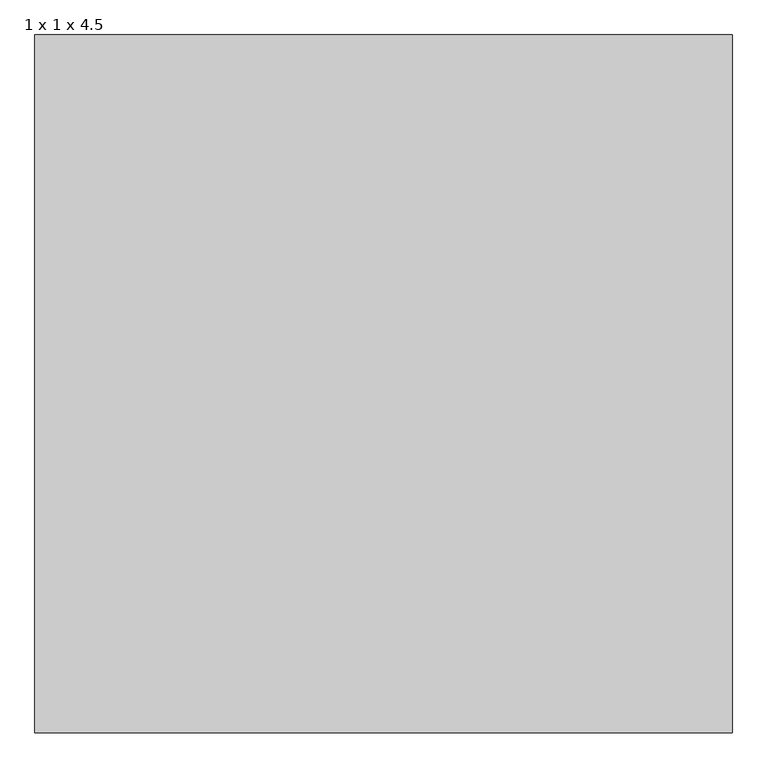
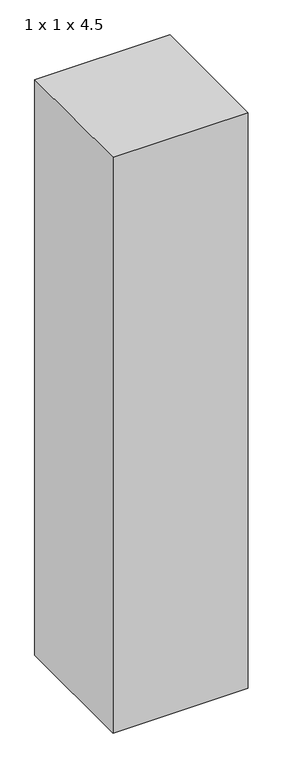
"""IFC4 building model written with IfcOpenShell, lengths in millimetres: proxy geometry, 1 x 1 x 4.5."""

from ifc_helpers import new_model, si_unit, origin, origin_with_axes, place, context, project, spatial, polyline, outline, extrude, source, transform, mapped, element, save


def proxy_1_x_1_x_4_5_3f496519(model_context):
    return source(origin(), model_context, "Body", "SweptSolid", [
        extrude(outline(polyline([(1000.0, 1000.0), (1000.0, 0.0), (0.0, 0.0), (0.0, 1000.0), (1000.0, 1000.0)])), origin_with_axes(), (0.0, 0.0, 1.0), 4500.0),
    ])


if __name__ == "__main__":
    model = new_model("IFC4")
    model_context = context("Model", 3, world=origin())
    ifc_project = project(units=[si_unit("LENGTHUNIT", "METRE", prefix="MILLI")], contexts=[model_context])
    site = spatial("IfcSite", under=ifc_project)
    building = spatial("IfcBuilding", under=site)
    placement = place(None, origin())
    proxy_1_x_1_x_4_5_shape = proxy_1_x_1_x_4_5_3f496519(model_context)
    element("IfcBuildingElementProxy", 1, Name="1 x 1 x 4.5", ObjectType="1 x 1 x 4.5", at=placement, inside=building, context=model_context, shape_type="MappedRepresentation", body=[
        mapped(proxy_1_x_1_x_4_5_shape, transform((0.0, 0.0, 0.0), x_axis=(1.0, 0.0, 0.0), y_axis=(0.0, 1.0, 0.0), z_axis=(0.0, 0.0, 1.0))),
    ])
    save(model, "model.ifc")
